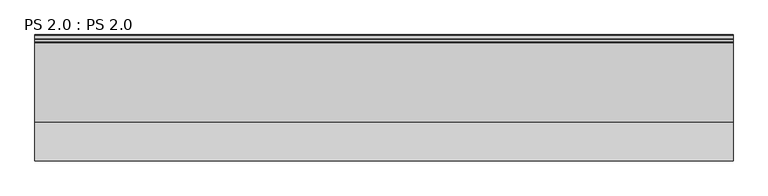
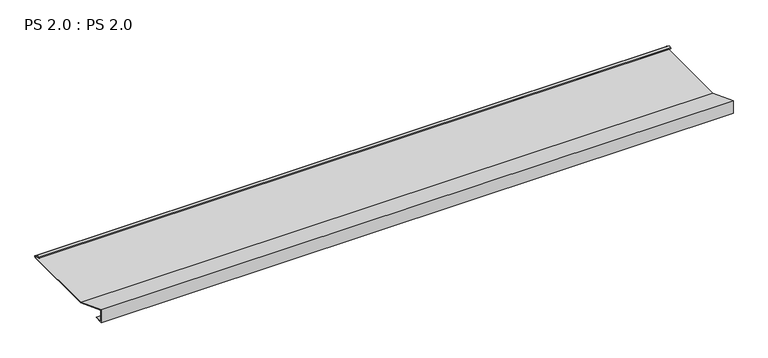
"""IFC4 building model written with IfcOpenShell, lengths in millimetres: proxy geometry, PS 2.0 : PS 2.0."""

from ifc_helpers import new_model, si_unit, point, frame, frame_2d, origin, place, context, project, spatial, polyline, circle_curve, trimmed, segment, composite_curve, outline, extrude, source, transform, mapped, element, save


def ps_2_0_ps_2_0_628746f9(model_context):
    return source(origin(), model_context, "Body", "SweptSolid", [
        extrude(outline(composite_curve([segment(polyline([(0.0, 0.0), (0.0, 38.0), (100.0, 0.0), (325.0510156, 0.0)]), True, "CONTINUOUS"), segment(trimmed(circle_curve(frame_2d((324.3094696, 1.9153551)), 2.0538928), [point((325.0510156, 0.0))], [point((325.1748462, 3.778041))], True, "CARTESIAN"), True, "CONTINUOUS"), segment(polyline([(325.1748462, 3.778041), (308.7874714, 6.923107)]), True, "CONTINUOUS"), segment(trimmed(circle_curve(frame_2d((309.4078886, 8.6005442)), 1.7884947), [point((308.7874714, 6.923107))], [point((308.9525789, 10.3301125))], False, "CARTESIAN"), True, "CONTINUOUS"), segment(polyline([(308.9525789, 10.3301125), (316.459338, 11.6715995), (316.635255, 10.6871945), (309.1762081, 9.3542338)]), True, "CONTINUOUS"), segment(trimmed(circle_curve(frame_2d((309.4078886, 8.6005442)), 0.7884947), [point((309.1762081, 9.3542338))], [point((309.0735117, 7.8864603))], True, "CARTESIAN"), True, "CONTINUOUS"), segment(polyline([(309.0735117, 7.8864603), (325.4722719, 4.7392091)]), True, "CONTINUOUS"), segment(trimmed(circle_curve(frame_2d((324.3094696, 1.9153551)), 3.0538928), [point((325.4722719, 4.7392091))], [point((325.2188462, -1.0))], False, "CARTESIAN"), True, "CONTINUOUS"), segment(polyline([(325.2188462, -1.0), (99.8164044, -1.0), (1.0, 36.5502337), (1.0, 1.0), (25.0, 1.0), (25.0, 0.0), (0.0, 0.0)]), True, "CONTINUOUS")], self_intersect=False)), frame((0.0, 0.0, 0.0), z_axis=(1.0, 0.0, 0.0), x_axis=(0.0, 1.0, 0.0)), (0.0, 0.0, 1.0), 1805.6641938),
    ])


if __name__ == "__main__":
    model = new_model("IFC4")
    model_context = context("Model", 3, world=origin())
    ifc_project = project(units=[si_unit("LENGTHUNIT", "METRE", prefix="MILLI")], contexts=[model_context])
    site = spatial("IfcSite", under=ifc_project)
    building = spatial("IfcBuilding", under=site)
    placement = place(None, origin())
    ps_2_0_ps_2_0_shape = ps_2_0_ps_2_0_628746f9(model_context)
    element("IfcBuildingElementProxy", 1, Name="PS 2.0 : PS 2.0", ObjectType="PS 2.0 : PS 2.0", at=placement, inside=building, context=model_context, shape_type="MappedRepresentation", body=[
        mapped(ps_2_0_ps_2_0_shape, transform((0.0, 0.0, 0.0), x_axis=(1.0, 0.0, 0.0), y_axis=(0.0, 1.0, 0.0), z_axis=(0.0, 0.0, 1.0))),
    ])
    save(model, "model.ifc")
